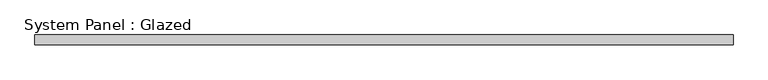
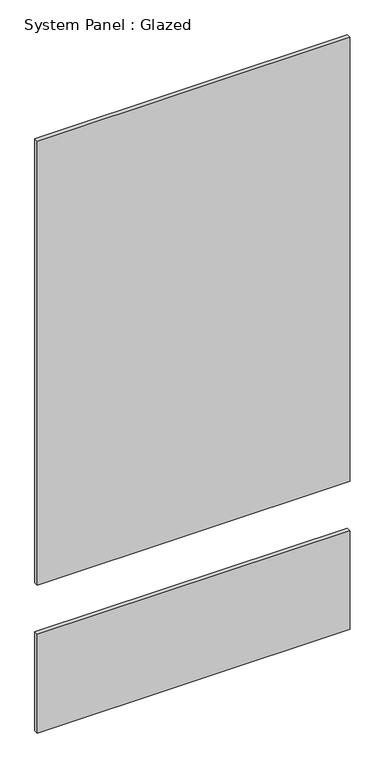
"""IFC4 building model written with IfcOpenShell, lengths in millimetres: plate geometry, System Panel : Glazed."""

import ifcopenshell
import ifcopenshell.guid

model = None  # the IFC model being written
_history = None  # IfcOwnerHistory: only IFC2X3 demands one
_inside = {}  # id of a spatial element -> (the spatial element, [elements in it])
_under = {}  # id of a project, library or spatial element -> (it, [spatial elements below it])
_declared = {}  # id of a project -> (the project, [libraries it declares])
_typed = {}  # id of a type object -> (the type object, [elements of that type])
_made_of = {}  # id of a material, layer set ... -> (it, [elements and type objects made of it])


def new_model(schema):
    """Start an empty IFC model of exactly this schema.

    Asked for "IFC4X3", IfcOpenShell would pick the latest addendum, in which some entities
    have other attributes; the version numbers below select the first issue.
    IFC2X3 requires an IfcOwnerHistory on every rooted entity: one is made here for all.
    """
    global model, _history
    if schema == "IFC4X3":
        model = ifcopenshell.file(schema_version=(4, 3, 0, 0))
    else:
        model = ifcopenshell.file(schema=schema)
    _inside.clear()
    _under.clear()
    _declared.clear()
    _typed.clear()
    _made_of.clear()
    _history = None
    if model.schema == "IFC2X3":
        org = make("IfcOrganization", Name="unknown")
        user = make(
            "IfcPersonAndOrganization",
            ThePerson=make("IfcPerson", FamilyName="unknown"),
            TheOrganization=org,
        )
        app = make(
            "IfcApplication",
            ApplicationDeveloper=org,
            Version="unknown",
            ApplicationFullName="unknown",
            ApplicationIdentifier="unknown",
        )
        _history = make(
            "IfcOwnerHistory",
            OwningUser=user,
            OwningApplication=app,
            ChangeAction="ADDED",
            CreationDate=0,
        )
    return model


def make(cls, **values):
    """One entity of the class cls with the attributes given. An attribute that is None is left unset."""
    return model.create_entity(
        cls, **{name: value for name, value in values.items() if value is not None}
    )


def rooted(cls, **values):
    """An entity with a GlobalId (a new one), such as an element, a storey or a relation."""
    return make(cls, GlobalId=ifcopenshell.guid.new(), OwnerHistory=_history, **values)


def si_unit(unit_type, name, prefix=None):
    """IfcSIUnit, for example si_unit("LENGTHUNIT", "METRE", prefix="MILLI")."""
    return make("IfcSIUnit", UnitType=unit_type, Prefix=prefix, Name=name)


def assignment(units):
    """IfcUnitAssignment: the units of a project."""
    return None if units is None else make("IfcUnitAssignment", Units=units)


def point(xyz):
    """IfcCartesianPoint."""
    return None if xyz is None else make("IfcCartesianPoint", Coordinates=xyz)


def direction(xyz):
    """IfcDirection."""
    return None if xyz is None else make("IfcDirection", DirectionRatios=xyz)


def frame(location, z_axis=None, x_axis=None):
    """IfcAxis2Placement3D, a coordinate frame: its origin and axes. An axis left out is left unset."""
    return make(
        "IfcAxis2Placement3D",
        Location=point(location),
        Axis=direction(z_axis),
        RefDirection=direction(x_axis),
    )


def origin():
    """The frame at (0, 0, 0) with its axes left unset."""
    return frame((0.0, 0.0, 0.0))


def origin_with_axes():
    """The frame at (0, 0, 0) with the z axis (0, 0, 1) and the x axis (1, 0, 0) written out."""
    return frame((0.0, 0.0, 0.0), z_axis=(0.0, 0.0, 1.0), x_axis=(1.0, 0.0, 0.0))


def place(relative_to, where):
    """IfcLocalPlacement: puts the frame where relative to a parent placement (None: the world)."""
    return make(
        "IfcLocalPlacement", PlacementRelTo=relative_to, RelativePlacement=where
    )


def context(
    kind, dimensions, precision=None, world=None, true_north=None, identifier=None
):
    """IfcGeometricRepresentationContext, for example the 3D "Model" context."""
    return make(
        "IfcGeometricRepresentationContext",
        ContextIdentifier=identifier,
        ContextType=kind,
        CoordinateSpaceDimension=dimensions,
        Precision=precision,
        WorldCoordinateSystem=world,
        TrueNorth=true_north,
    )


def project(units=None, contexts=None):
    """IfcProject with its units and contexts."""
    return rooted(
        "IfcProject",
        Name="project",
        RepresentationContexts=contexts,
        UnitsInContext=assignment(units),
    )


def spatial(cls, under=None, at=None, **own):
    """A site, building, storey or space (cls), placed at a placement, below another one or the project."""
    s = rooted(cls, ObjectPlacement=at, **own)
    if under is not None:
        _under.setdefault(under.id(), (under, []))[1].append(s)
    return s


def polyline(points):
    """IfcPolyline through the points."""
    return make("IfcPolyline", Points=[point(p) for p in points])


def outline(outer, holes=None, kind="AREA"):
    """IfcArbitraryClosedProfileDef: a profile drawn as a closed curve; with holes, ...WithVoids."""
    if holes is None:
        return make("IfcArbitraryClosedProfileDef", ProfileType=kind, OuterCurve=outer)
    return make(
        "IfcArbitraryProfileDefWithVoids",
        ProfileType=kind,
        OuterCurve=outer,
        InnerCurves=holes,
    )


def extrude(swept, where, along, depth):
    """IfcExtrudedAreaSolid: the profile swept, set in the frame where, extruded along a direction by depth."""
    return make(
        "IfcExtrudedAreaSolid",
        SweptArea=swept,
        Position=where,
        ExtrudedDirection=direction(along),
        Depth=depth,
    )


def shape(context_of_items, identifier, shape_type, items):
    """IfcShapeRepresentation: the items that make up one representation, for example the "Body"."""
    return make(
        "IfcShapeRepresentation",
        ContextOfItems=context_of_items,
        RepresentationIdentifier=identifier,
        RepresentationType=shape_type,
        Items=items,
    )


def source(mapping_origin, context_of_items, identifier, shape_type, items):
    """IfcRepresentationMap: a shape defined once, which mapped items show again and again."""
    return make(
        "IfcRepresentationMap",
        MappingOrigin=mapping_origin,
        MappedRepresentation=shape(context_of_items, identifier, shape_type, items),
    )


def transform(
    local_origin,
    x_axis=None,
    y_axis=None,
    z_axis=None,
    scale=None,
    scale2=None,
    scale3=None,
    uniform=True,
):
    """IfcCartesianTransformationOperator3D, or its non-uniform kind. x_axis, y_axis, z_axis: its Axis1, 2, 3."""
    if uniform:
        return make(
            "IfcCartesianTransformationOperator3D",
            Axis1=direction(x_axis),
            Axis2=direction(y_axis),
            LocalOrigin=point(local_origin),
            Scale=scale,
            Axis3=direction(z_axis),
        )
    return make(
        "IfcCartesianTransformationOperator3DnonUniform",
        Axis1=direction(x_axis),
        Axis2=direction(y_axis),
        LocalOrigin=point(local_origin),
        Scale=scale,
        Axis3=direction(z_axis),
        Scale2=scale2,
        Scale3=scale3,
    )


def mapped(mapping_source, mapping_target):
    """IfcMappedItem: shows the shape of a source again, moved by a transform."""
    return make(
        "IfcMappedItem", MappingSource=mapping_source, MappingTarget=mapping_target
    )


def made_of(thing, what):
    """Note that an element or type object is made of a material, layer set ...; save() writes the relation."""
    if what is not None:
        _made_of.setdefault(what.id(), (what, []))[1].append(thing)
    return thing


def element(
    cls,
    number,
    at=None,
    inside=None,
    cuts=None,
    type_object=None,
    material=None,
    context=None,
    identifier="Body",
    shape_type=None,
    held_by="IfcProductDefinitionShape",
    body=None,
    shapes=None,
    **own,
):
    """One element of the class cls, such as IfcWall. Its Tag is "e" and its number.

    at: its placement. inside: the storey or other place that contains it. cuts: it is an
    opening in that element (IfcRelVoidsElement). A single representation is given by context,
    identifier, shape_type and body (its items); several are given by shapes. held_by: the class
    of the entity that holds the representations. save() writes the other relations.
    """
    e = rooted(cls, Tag="e%d" % number, ObjectPlacement=at, **own)
    if body is not None:
        shapes = [shape(context, identifier, shape_type, body)]
    if shapes is not None:
        e.Representation = make(held_by, Representations=shapes)
    if inside is not None:
        _inside.setdefault(inside.id(), (inside, []))[1].append(e)
    if cuts is not None:
        rooted(
            "IfcRelVoidsElement", RelatingBuildingElement=cuts, RelatedOpeningElement=e
        )
    if type_object is not None:
        _typed.setdefault(type_object.id(), (type_object, []))[1].append(e)
    return made_of(e, material)


def aggregate(whole, parts):
    """IfcRelAggregates: a whole, such as a stair, and the parts it consists of."""
    return rooted("IfcRelAggregates", RelatingObject=whole, RelatedObjects=parts)


def save(model, path):
    """Write the relations noted so far, then the file.

    IfcRelAggregates (storeys below a building ...), IfcRelContainedInSpatialStructure (elements
    in a storey), IfcRelDefinesByType, IfcRelAssociatesMaterial and IfcRelDeclares: one each for
    every whole, place, type object, material and project.
    """
    for whole, parts in _under.values():
        aggregate(whole, parts)
    for where, things in _inside.values():
        rooted(
            "IfcRelContainedInSpatialStructure",
            RelatedElements=things,
            RelatingStructure=where,
        )
    for kind, things in _typed.values():
        rooted("IfcRelDefinesByType", RelatedObjects=things, RelatingType=kind)
    for what, things in _made_of.values():
        rooted("IfcRelAssociatesMaterial", RelatedObjects=things, RelatingMaterial=what)
    for by, libraries in _declared.values():
        rooted("IfcRelDeclares", RelatingContext=by, RelatedDefinitions=libraries)
    model.write(path)


def system_panel_glazed_b99d309f(model_context):
    return source(origin(), model_context, "Body", "SweptSolid", [
        extrude(outline(polyline([(914.4, 19.05), (-914.4, 19.05), (-914.4, 44.45), (914.4, 44.45), (914.4, 19.05)])), frame((0.0, 0.0, 914.4), z_axis=(0.0, 0.0, 1.0), x_axis=(1.0, 0.0, 0.0)), (0.0, 0.0, 1.0), 2743.2),
        extrude(outline(polyline([(914.4, 19.05), (-914.4, 19.05), (-914.4, 44.45), (914.4, 44.45), (914.4, 19.05)])), origin_with_axes(), (0.0, 0.0, 1.0), 609.6),
    ])


if __name__ == "__main__":
    model = new_model("IFC4")
    model_context = context("Model", 3, world=origin())
    ifc_project = project(units=[si_unit("LENGTHUNIT", "METRE", prefix="MILLI")], contexts=[model_context])
    site = spatial("IfcSite", under=ifc_project)
    building = spatial("IfcBuilding", under=site)
    placement = place(None, origin())
    system_panel_glazed_shape = system_panel_glazed_b99d309f(model_context)
    element("IfcPlate", 1, ObjectType="System Panel : Glazed", at=placement, inside=building, context=model_context, shape_type="MappedRepresentation", body=[
        mapped(system_panel_glazed_shape, transform((0.0, 0.0, 0.0), x_axis=(1.0, 0.0, 0.0), y_axis=(0.0, 1.0, 0.0), z_axis=(0.0, 0.0, 1.0))),
    ])
    save(model, "model.ifc")
